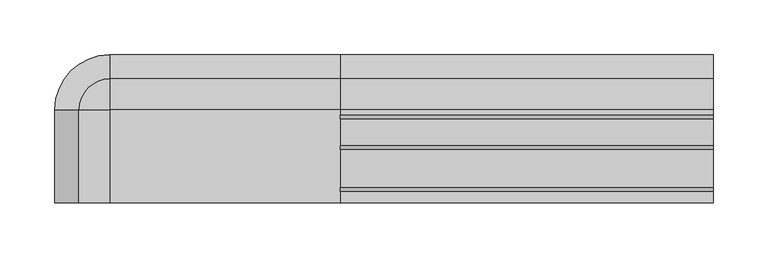
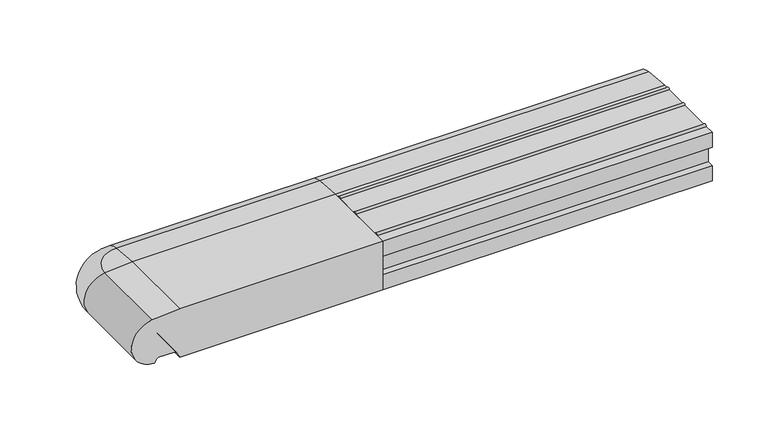
"""IFC4 building model written with IfcOpenShell, lengths in millimetres: proxy geometry."""

from ifc_helpers import new_model, si_unit, point, frame, frame_2d, origin, place, context, project, spatial, polyline, circle_curve, ellipse_curve, trimmed, segment, composite_curve, outline, extrude, source, transform, mapped, element, save
from ifc_brep_helpers import plane_surface, cylinder_surface, revolved_surface, advanced_brep


def generic_models_fca5f5a3(model_context):
    return source(origin(), model_context, "Body", "SolidModel", [
        advanced_brep(
        [(-210.0, 26.5981483, 2.5074549), (-236.5981483, 0.0, 2.5074549), (-238.0858073, 0.0, 50.4091909), (-210.0, 28.0858073, 50.4091909), (-210.0, 25.7072001, 3.0071443), (-235.7072001, 0.0, 3.0071443), (-210.0, 23.6905989, 6.5), (-233.6905989, 0.0, 6.5), (-210.0, 21.9585481, 7.5), (-231.9585481, 0.0, 7.5), (0.0, 21.9585481, 7.5), (0.0, 5.4848276, 7.5), (-210.0, 5.4848276, 7.5), (-215.4848276, 0.0, 7.5), (-215.4848276, -85.0, 7.5), (-231.9585481, -85.0, 7.5), (-210.0, 3.7527767, 6.5), (-213.7527767, 0.0, 6.5), (-210.0, 0.0, 0.0), (-210.0, 0.0, 52.8593609), (-235.7072001, -85.0, 3.0071443), (-236.5981483, -85.0, 2.5074549), (-233.6905989, -85.0, 6.5), (-213.7527767, -85.0, 6.5), (-210.0, -85.0, 0.0), (-238.0858073, -85.0, 50.4091909), (-210.0, -85.0, 52.8593609), (0.0, 26.5981483, 2.5074549), (0.0, 28.0858073, 50.4091909), (0.0, 0.0, 52.8593609), (0.0, -85.0, 52.8593609), (0.0, -85.0, 0.0), (0.0, 0.0, 0.0), (0.0, 3.7527767, 6.5), (0.0, 23.6905989, 6.5), (0.0, 25.7072001, 3.0071443)],
        [
            (0, 1, circle_curve(frame((-210.0, 0.0, 2.5074549), z_axis=(0.0, 0.0, 1.0), x_axis=(-1.0, 0.0, 0.0)), 26.5981483)),
            (1, 2, circle_curve(frame((-236.0, 0.0, 26.5), z_axis=(0.0, 1.0, 0.0), x_axis=(-1.0, 0.0, 0.0)), 24.0)),
            (2, 3, circle_curve(frame((-210.0, 0.0, 50.4091909), z_axis=(0.0, 0.0, -1.0), x_axis=(-1.0, 0.0, 0.0)), 28.0858073)),
            (3, 0, circle_curve(frame((-210.0, 26.0, 26.5), z_axis=(-1.0, 0.0, 0.0), x_axis=(0.0, 1.0, 0.0)), 24.0)),
            (0, 4, circle_curve(frame((-210.0, 26.5732255, 3.5071443), z_axis=(-1.0, 0.0, 0.0), x_axis=(0.0, 1.0, 0.0)), 1.0)),
            (4, 5, circle_curve(frame((-210.0, 0.0, 3.0071443), z_axis=(0.0, 0.0, 1.0), x_axis=(-1.0, 0.0, 0.0)), 25.7072001)),
            (5, 1, circle_curve(frame((-236.5732255, 0.0, 3.5071443), z_axis=(0.0, 1.0, 0.0), x_axis=(-1.0, 0.0, 0.0)), 1.0)),
            (4, 6),
            (6, 7, circle_curve(frame((-210.0, 0.0, 6.5), z_axis=(0.0, 0.0, 1.0), x_axis=(-1.0, 0.0, 0.0)), 23.6905989)),
            (7, 5),
            (6, 8, circle_curve(frame((-210.0, 21.9585481, 5.5), z_axis=(1.0, 0.0, 0.0), x_axis=(0.0, 1.0, 0.0)), 2.0)),
            (8, 9, circle_curve(frame((-210.0, 0.0, 7.5), z_axis=(0.0, 0.0, 1.0), x_axis=(-1.0, 0.0, 0.0)), 21.9585481)),
            (9, 7, circle_curve(frame((-231.9585481, 0.0, 5.5), z_axis=(0.0, -1.0, 0.0), x_axis=(-1.0, 0.0, 0.0)), 2.0)),
            (8, 10),
            (10, 11),
            (11, 12),
            (12, 13, circle_curve(frame((-210.0, 0.0, 7.5), z_axis=(0.0, 0.0, 1.0), x_axis=(-1.0, 0.0, 0.0)), 5.4848276)),
            (13, 14),
            (14, 15),
            (15, 9),
            (12, 16, circle_curve(frame((-210.0, 5.4848276, 5.5), z_axis=(1.0, 0.0, 0.0), x_axis=(0.0, 1.0, 0.0)), 2.0)),
            (16, 17, circle_curve(frame((-210.0, 0.0, 6.5), z_axis=(0.0, 0.0, 1.0), x_axis=(-1.0, 0.0, 0.0)), 3.7527767)),
            (17, 13, circle_curve(frame((-215.4848276, 0.0, 5.5), z_axis=(0.0, -1.0, 0.0), x_axis=(-1.0, 0.0, 0.0)), 2.0)),
            (16, 18),
            (18, 17),
            (2, 19),
            (19, 3),
            (20, 21, circle_curve(frame((-236.5732255, -85.0, 3.5071443), z_axis=(0.0, 1.0, 0.0), x_axis=(-1.0, 0.0, 0.0)), 1.0)),
            (21, 1),
            (5, 20),
            (22, 20),
            (7, 22),
            (15, 22, circle_curve(frame((-231.9585481, -85.0, 5.5), z_axis=(0.0, -1.0, 0.0), x_axis=(-1.0, 0.0, 0.0)), 2.0)),
            (23, 14, circle_curve(frame((-215.4848276, -85.0, 5.5), z_axis=(0.0, -1.0, 0.0), x_axis=(-1.0, 0.0, 0.0)), 2.0)),
            (17, 23),
            (24, 23),
            (18, 24),
            (25, 26),
            (26, 19),
            (2, 25),
            (21, 25, circle_curve(frame((-236.0, -85.0, 26.5), z_axis=(0.0, 1.0, 0.0), x_axis=(-1.0, 0.0, 0.0)), 24.0)),
            (27, 28, circle_curve(frame((0.0, 26.0, 26.5), z_axis=(1.0, 0.0, 0.0), x_axis=(0.0, 1.0, 0.0)), 24.0)),
            (28, 29),
            (29, 30),
            (30, 31),
            (31, 32),
            (32, 33),
            (33, 11, circle_curve(frame((0.0, 5.4848276, 5.5), z_axis=(-1.0, 0.0, 0.0), x_axis=(0.0, 1.0, 0.0)), 2.0)),
            (10, 34, circle_curve(frame((0.0, 21.9585481, 5.5), z_axis=(-1.0, 0.0, 0.0), x_axis=(0.0, 1.0, 0.0)), 2.0)),
            (34, 35),
            (35, 27, circle_curve(frame((0.0, 26.5732255, 3.5071443), z_axis=(1.0, 0.0, 0.0), x_axis=(0.0, 1.0, 0.0)), 1.0)),
            (35, 4),
            (0, 27),
            (34, 6),
            (33, 16),
            (32, 18),
            (31, 24),
            (30, 26),
            (29, 19),
            (28, 3),
        ],
        [
            revolved_surface(trimmed(ellipse_curve(frame((-236.0, 0.0, 26.5), z_axis=(0.0, 1.0, 0.0), x_axis=(-1.0, 0.0, 0.0)), 24.0, 24.0), [point((-236.5981483, 0.0, 2.5074549))], [point((-238.0858073, 0.0, 50.4091909))], True, "CARTESIAN"), (-210.0, 0.0, 0.0), (0.0, 0.0, 1.0)),
            revolved_surface(trimmed(ellipse_curve(frame((-236.5732255, 0.0, 3.5071443), z_axis=(0.0, 1.0, 0.0), x_axis=(-1.0, 0.0, 0.0)), 1.0, 1.0), [point((-235.7072001, 0.0, 3.0071443))], [point((-236.5981483, 0.0, 2.5074549))], True, "CARTESIAN"), (-210.0, 0.0, 0.0), (0.0, 0.0, 1.0)),
            revolved_surface(polyline([(-233.6905989, 0.0, 6.5), (-235.7072001, 0.0, 3.0071443)]), (-210.0, 0.0, 0.0), (0.0, 0.0, 1.0)),
            revolved_surface(trimmed(ellipse_curve(frame((-231.9585481, 0.0, 5.5), z_axis=(0.0, -1.0, 0.0), x_axis=(-1.0, 0.0, 0.0)), 2.0, 2.0), [point((-231.9585481, 0.0, 7.5))], [point((-233.6905989, 0.0, 6.5))], True, "CARTESIAN"), (-210.0, 0.0, 0.0), (0.0, 0.0, 1.0)),
            plane_surface(frame((-210.0, 0.0, 7.5), z_axis=(0.0, 0.0, -1.0), x_axis=(-1.0, 0.0, 0.0))),
            revolved_surface(trimmed(ellipse_curve(frame((-215.4848276, 0.0, 5.5), z_axis=(0.0, -1.0, 0.0), x_axis=(-1.0, 0.0, 0.0)), 2.0, 2.0), [point((-213.7527767, 0.0, 6.5))], [point((-215.4848276, 0.0, 7.5))], True, "CARTESIAN"), (-210.0, 0.0, 0.0), (0.0, 0.0, 1.0)),
            revolved_surface(polyline([(-210.0, 0.0, 0.0), (-213.7527767, 0.0, 6.5)]), (-210.0, 0.0, 0.0), (0.0, 0.0, 1.0)),
            revolved_surface(polyline([(-238.0858073, 0.0, 50.4091909), (-210.0, 0.0, 52.8593609)]), (-210.0, 0.0, 0.0), (0.0, 0.0, 1.0)),
            cylinder_surface(frame((-236.5732255, 0.0, 3.5071443), z_axis=(0.0, 1.0, 0.0), x_axis=(-1.0, 0.0, 0.0)), 1.0),
            plane_surface(frame((-233.6905989, 0.0, 6.5), z_axis=(0.8660254037844395, 0.0, -0.4999999999999987), x_axis=(0.0, -1.0, 0.0))),
            revolved_surface(polyline([(-233.9585481, -85.0, 5.5), (-233.9585481, 0.0, 5.5)]), (-231.9585481, 0.0, 5.5), (0.0, -1.0, 0.0)),
            revolved_surface(polyline([(-217.4848276, -85.0, 5.5), (-217.4848276, 0.0, 5.5)]), (-215.4848276, 0.0, 5.5), (0.0, -1.0, 0.0)),
            plane_surface(frame((-210.0, 0.0, 0.0), z_axis=(-0.8660254037844367, 0.0, -0.5000000000000033), x_axis=(0.0, -1.0, 0.0))),
            plane_surface(frame((-238.0858073, 0.0, 50.4091909), z_axis=(-0.0869086394462769, 0.0, 0.9962162859487879), x_axis=(0.0, -1.0, 0.0))),
            cylinder_surface(frame((-236.0, 0.0, 26.5), z_axis=(0.0, 1.0, 0.0), x_axis=(-1.0, 0.0, 0.0)), 24.0),
            plane_surface(frame((0.0, 0.0, 0.0), z_axis=(1.0, 0.0, 0.0), x_axis=(0.0, 0.0, 1.0))),
            cylinder_surface(frame((0.0, 26.5732255, 3.5071443), z_axis=(1.0, 0.0, 0.0), x_axis=(0.0, 1.0, 0.0)), 1.0),
            plane_surface(frame((0.0, 23.6905989, 6.5), z_axis=(0.0, -0.8660254037844395, -0.4999999999999987), x_axis=(-1.0, 0.0, 0.0))),
            revolved_surface(polyline([(-210.0, 23.9585481, 5.5), (0.0, 23.9585481, 5.5)]), (0.0, 21.9585481, 5.5), (-1.0, 0.0, 0.0)),
            revolved_surface(polyline([(-210.0, 7.4848276, 5.5), (0.0, 7.4848276, 5.5)]), (0.0, 5.4848276, 5.5), (-1.0, 0.0, 0.0)),
            plane_surface(frame((0.0, 0.0, 0.0), z_axis=(0.0, 0.8660254037844367, -0.5000000000000033), x_axis=(-1.0, 0.0, 0.0))),
            plane_surface(frame((0.0, -85.0, 0.0), z_axis=(0.0, 0.0, -1.0), x_axis=(-1.0, 0.0, 0.0))),
            plane_surface(frame((0.0, -85.0, 52.8593609), z_axis=(0.0, -1.0, 0.0), x_axis=(-1.0, 0.0, 0.0))),
            plane_surface(frame((0.0, 0.0, 52.8593609), z_axis=(0.0, 0.0, 1.0), x_axis=(-1.0, 0.0, 0.0))),
            plane_surface(frame((0.0, 28.0858073, 50.4091909), z_axis=(0.0, 0.0869086394462769, 0.9962162859487879), x_axis=(-1.0, 0.0, 0.0))),
            cylinder_surface(frame((0.0, 26.0, 26.5), z_axis=(1.0, 0.0, 0.0), x_axis=(0.0, 1.0, 0.0)), 24.0),
        ],
        [
            (0, [[1, 2, 3, 4]]),
            (1, [[-1, 5, 6, 7]]),
            (2, [[-6, 8, 9, 10]]),
            (3, [[-9, 11, 12, 13]]),
            (4, [[-12, 14, 15, 16, 17, 18, 19, 20]]),
            (5, [[-17, 21, 22, 23]]),
            (6, [[-22, 24, 25]]),
            (7, [[-3, 26, 27]]),
            (8, [[28, 29, -7, 30]]),
            (9, [[31, -30, -10, 32]]),
            (10, [[33, -32, -13, -20]]),
            (11, [[34, -18, -23, 35]]),
            (12, [[36, -35, -25, 37]]),
            (13, [[38, 39, -26, 40]]),
            (14, [[41, -40, -2, -29]]),
            (15, [[42, 43, 44, 45, 46, 47, 48, -15, 49, 50, 51]]),
            (16, [[-51, 52, -5, 53]]),
            (17, [[-50, 54, -8, -52]]),
            (18, [[-49, -14, -11, -54]]),
            (19, [[-48, 55, -21, -16]]),
            (20, [[-47, 56, -24, -55]]),
            (21, [[-46, 57, -37, -56]]),
            (22, [[-45, 58, -38, -41, -28, -31, -33, -19, -34, -36, -57]]),
            (23, [[-44, 59, -39, -58]]),
            (24, [[-43, 60, -27, -59]]),
            (25, [[-42, -53, -4, -60]]),
        ],
    ),
        extrude(outline(composite_curve([segment(trimmed(circle_curve(frame_2d((26.5732255, 3.5071443)), 1.0), [point((26.5981483, 2.5074549))], [point((25.7072001, 3.0071443))], False, "CARTESIAN"), True, "CONTINUOUS"), segment(polyline([(25.7072001, 3.0071443), (23.6905989, 6.5)]), True, "CONTINUOUS"), segment(trimmed(circle_curve(frame_2d((21.9585481, 5.5)), 2.0), [point((23.6905989, 6.5))], [point((21.9585481, 7.5))], True, "CARTESIAN"), True, "CONTINUOUS"), segment(polyline([(21.9585481, 7.5), (5.4848276, 7.5)]), True, "CONTINUOUS"), segment(trimmed(circle_curve(frame_2d((5.4848276, 5.5)), 2.0), [point((5.4848276, 7.5))], [point((3.7527767, 6.5))], True, "CARTESIAN"), True, "CONTINUOUS"), segment(polyline([(3.7527767, 6.5), (0.2886751, 0.5)]), True, "CONTINUOUS"), segment(trimmed(circle_curve(frame_2d((-0.5773503, 1.0)), 1.0), [point((0.2886751, 0.5))], [point((-0.5773503, 0.0))], False, "CARTESIAN"), True, "CONTINUOUS"), segment(polyline([(-0.5773503, 0.0), (-5.0, 0.0)]), True, "CONTINUOUS"), segment(trimmed(circle_curve(frame_2d((-6.75, 0.0)), 1.75), [point((-5.0, 0.0))], [point((-8.5, 0.0))], False, "CARTESIAN"), True, "CONTINUOUS"), segment(polyline([(-8.5, 0.0), (-33.0, 0.0)]), True, "CONTINUOUS"), segment(trimmed(circle_curve(frame_2d((-34.75, 0.0)), 1.75), [point((-33.0, 0.0))], [point((-36.5, 0.0))], False, "CARTESIAN"), True, "CONTINUOUS"), segment(polyline([(-36.5, 0.0), (-71.0, 0.0)]), True, "CONTINUOUS"), segment(trimmed(circle_curve(frame_2d((-72.75, 0.0)), 1.75), [point((-71.0, 0.0))], [point((-74.5, 0.0))], False, "CARTESIAN"), True, "CONTINUOUS"), segment(polyline([(-74.5, 0.0), (-85.0, 0.0), (-85.0, 16.5), (-78.0, 16.5), (-78.0, 36.5), (-85.0, 36.5), (-85.0, 52.8558627), (-74.5, 52.8558627)]), True, "CONTINUOUS"), segment(trimmed(circle_curve(frame_2d((-72.75, 52.8558627)), 1.75), [point((-74.5, 52.8558627))], [point((-71.0, 52.8558627))], False, "CARTESIAN"), True, "CONTINUOUS"), segment(polyline([(-71.0, 52.8558627), (-36.5, 52.8558627)]), True, "CONTINUOUS"), segment(trimmed(circle_curve(frame_2d((-34.75, 52.8558627)), 1.75), [point((-36.5, 52.8558627))], [point((-33.0, 52.8558627))], False, "CARTESIAN"), True, "CONTINUOUS"), segment(polyline([(-33.0, 52.8558627), (-8.5, 52.8558627)]), True, "CONTINUOUS"), segment(trimmed(circle_curve(frame_2d((-6.75, 52.8558627)), 1.75), [point((-8.5, 52.8558627))], [point((-5.0, 52.8558627))], False, "CARTESIAN"), True, "CONTINUOUS"), segment(polyline([(-5.0, 52.8558627), (0.0400993, 52.8558627), (28.0858073, 50.4091909)]), True, "CONTINUOUS"), segment(trimmed(circle_curve(frame_2d((26.0, 26.5)), 24.0), [point((28.0858073, 50.4091909))], [point((26.5981483, 2.5074549))], False, "CARTESIAN"), True, "CONTINUOUS")], self_intersect=False), holes=[composite_curve([segment(trimmed(circle_curve(frame_2d((-13.0, 23.4166667)), 9.0833333), [point((-8.0, 31.0))], [point((-18.0, 31.0))], True, "CARTESIAN"), True, "CONTINUOUS"), segment(polyline([(-18.0, 31.0), (-18.0, 22.0)]), True, "CONTINUOUS"), segment(trimmed(circle_curve(frame_2d((-13.0, 29.5833333)), 9.0833333), [point((-18.0, 22.0))], [point((-8.0, 22.0))], True, "CARTESIAN"), True, "CONTINUOUS"), segment(polyline([(-8.0, 22.0), (-8.0, 31.0)]), True, "CONTINUOUS")], self_intersect=False), composite_curve([segment(polyline([(-29.0, 22.0), (-29.0, 31.0)]), True, "CONTINUOUS"), segment(trimmed(circle_curve(frame_2d((-34.0, 23.4166667)), 9.0833333), [point((-29.0, 31.0))], [point((-39.0, 31.0))], True, "CARTESIAN"), True, "CONTINUOUS"), segment(polyline([(-39.0, 31.0), (-39.0, 22.0)]), True, "CONTINUOUS"), segment(trimmed(circle_curve(frame_2d((-34.0, 29.5833333)), 9.0833333), [point((-39.0, 22.0))], [point((-29.0, 22.0))], True, "CARTESIAN"), True, "CONTINUOUS")], self_intersect=False), composite_curve([segment(polyline([(-50.0, 22.0), (-50.0, 31.0)]), True, "CONTINUOUS"), segment(trimmed(circle_curve(frame_2d((-55.0, 23.4166667)), 9.0833333), [point((-50.0, 31.0))], [point((-60.0, 31.0))], True, "CARTESIAN"), True, "CONTINUOUS"), segment(polyline([(-60.0, 31.0), (-60.0, 22.0)]), True, "CONTINUOUS"), segment(trimmed(circle_curve(frame_2d((-55.0, 29.5833333)), 9.0833333), [point((-60.0, 22.0))], [point((-50.0, 22.0))], True, "CARTESIAN"), True, "CONTINUOUS")], self_intersect=False)]), frame((0.0, 0.0, 0.0), z_axis=(1.0, 0.0, 0.0), x_axis=(0.0, 1.0, 0.0)), (0.0, 0.0, 1.0), 340.0),
    ])


if __name__ == "__main__":
    model = new_model("IFC4")
    model_context = context("Model", 3, world=origin())
    ifc_project = project(units=[si_unit("LENGTHUNIT", "METRE", prefix="MILLI")], contexts=[model_context])
    site = spatial("IfcSite", under=ifc_project)
    building = spatial("IfcBuilding", under=site)
    placement = place(None, origin())
    generic_models_shape = generic_models_fca5f5a3(model_context)
    element("IfcBuildingElementProxy", 1, Name="Generic Models", at=placement, inside=building, context=model_context, shape_type="MappedRepresentation", body=[
        mapped(generic_models_shape, transform((0.0, 0.0, 0.0), x_axis=(1.0, 0.0, 0.0), y_axis=(0.0, 1.0, 0.0), z_axis=(0.0, 0.0, 1.0))),
    ])
    save(model, "model.ifc")
